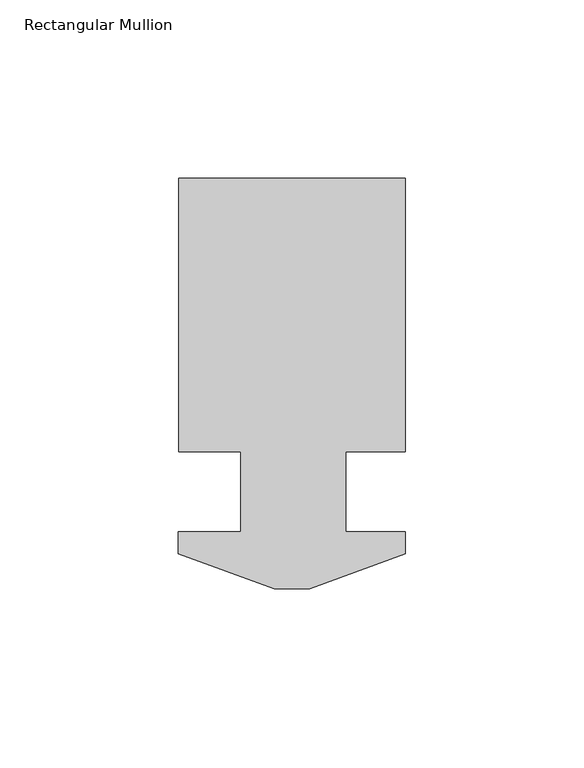
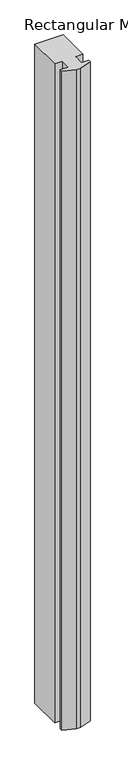
"""IFC4 building model written with IfcOpenShell, lengths in millimetres: member geometry, Rectangular Mullion."""

from ifc_helpers import new_model, si_unit, frame, origin, place, context, project, spatial, polyline, outline, extrude, source, transform, mapped, element, save


def rectangular_mullion_d2ae2e5d(model_context):
    return source(origin(), model_context, "Body", "SweptSolid", [
        extrude(outline(polyline([(4.9272021, 0.168275), (-4.9772064, 0.168275), (-31.7750021, 9.921875), (-31.7750021, 16.017875), (-14.2875, 16.017875), (-14.2875, 38.496875), (-31.75, 38.496875), (-31.75, 115.027075), (31.75, 115.027075), (31.75, 38.496875), (15.065769, 38.496875), (15.065769, 16.017875), (31.7249979, 16.017875), (31.7249979, 9.921875), (4.9272021, 0.168275)])), frame((0.0, 0.0, -1562.1), z_axis=(0.0, 0.0, 1.0), x_axis=(1.0, 0.0, 0.0)), (0.0, 0.0, 1.0), 1562.1),
    ])


if __name__ == "__main__":
    model = new_model("IFC4")
    model_context = context("Model", 3, world=origin())
    ifc_project = project(units=[si_unit("LENGTHUNIT", "METRE", prefix="MILLI")], contexts=[model_context])
    site = spatial("IfcSite", under=ifc_project)
    building = spatial("IfcBuilding", under=site)
    placement = place(None, origin())
    rectangular_mullion_shape = rectangular_mullion_d2ae2e5d(model_context)
    element("IfcMember", 1, ObjectType="Rectangular Mullion", at=placement, inside=building, context=model_context, shape_type="MappedRepresentation", body=[
        mapped(rectangular_mullion_shape, transform((0.0, 0.0, 0.0), x_axis=(1.0, 0.0, 0.0), y_axis=(0.0, 1.0, 0.0), z_axis=(0.0, 0.0, 1.0))),
    ])
    save(model, "model.ifc")
